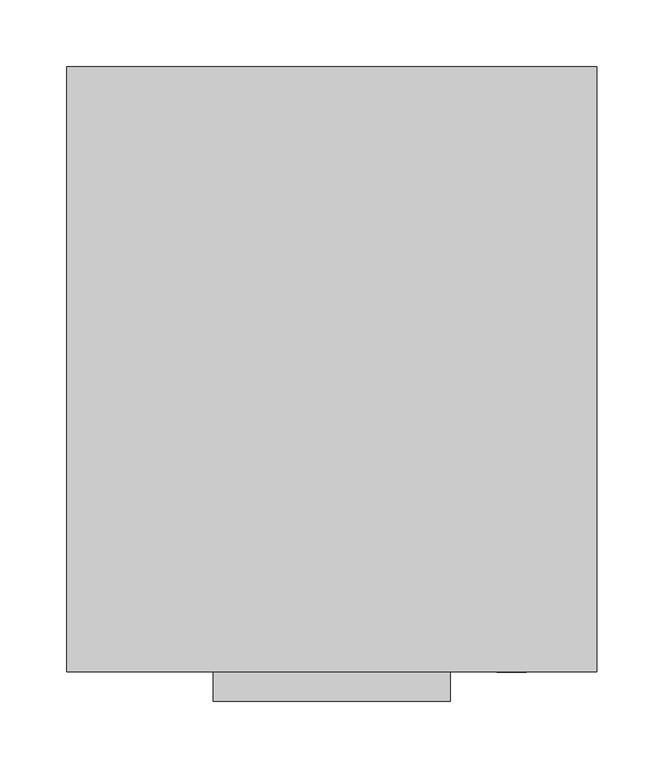
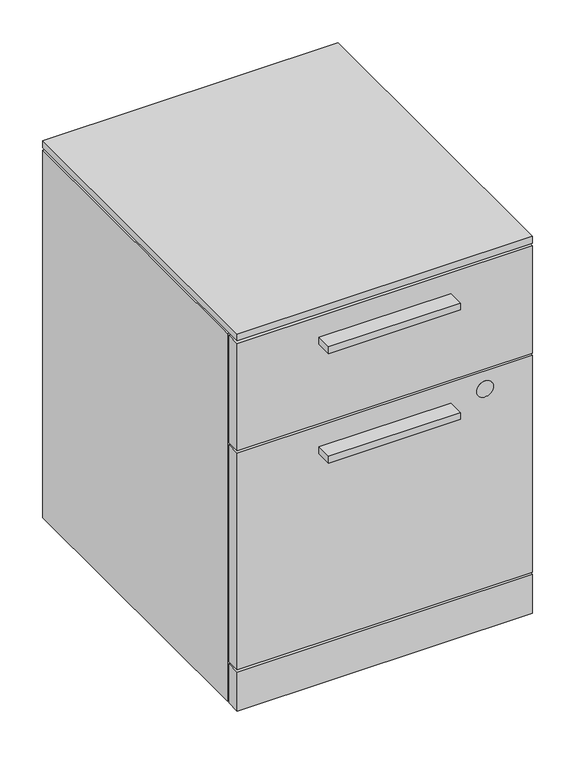
"""IFC4 building model written with IfcOpenShell, lengths in millimetres: furniture geometry."""

from ifc_helpers import new_model, si_unit, point, frame, frame_2d, origin, place, context, project, spatial, polyline, circle_curve, trimmed, segment, composite_curve, outline, extrude, faceted_brep, source, transform, mapped, element, save
from ifc_brep_helpers import plane_surface, cylinder_surface, advanced_brep


def furniture_c687b385(model_context):
    return source(origin(), model_context, "Body", "SolidModel", [
        advanced_brep(
        [(307.8205892, 53.97246, 18.653125), (307.8205892, 53.97246, 0.0), (307.8205892, 53.97246, 37.30625), (358.6205892, 53.97246, 37.30625), (358.6205892, 53.97246, 0.0), (358.6205892, 53.97246, 18.653125), (324.7539225, 53.97246, 0.0), (324.7539225, 53.97246, 37.30625), (324.7539225, 53.97246, 11.6085937), (324.7539225, 53.97246, 25.6976562), (341.6872558, 53.97246, 11.6085937), (341.6872558, 53.97246, 25.6976562), (341.6872558, 53.97246, 0.0), (341.6872558, 53.97246, 37.30625)],
        [
            (0, 1),
            (1, 2, circle_curve(frame((307.8205892, 53.97246, 18.653125), z_axis=(-1.0, 0.0, 0.0), x_axis=(0.0, 0.0, -1.0)), 18.653125)),
            (2, 0),
            (2, 1, circle_curve(frame((307.8205892, 53.97246, 18.653125), z_axis=(-1.0, 0.0, 0.0), x_axis=(0.0, 0.0, -1.0)), 18.653125)),
            (3, 4, circle_curve(frame((358.6205892, 53.97246, 18.653125), z_axis=(1.0, 0.0, 0.0), x_axis=(0.0, 0.0, -1.0)), 18.653125)),
            (4, 5),
            (5, 3),
            (4, 3, circle_curve(frame((358.6205892, 53.97246, 18.653125), z_axis=(1.0, 0.0, 0.0), x_axis=(0.0, 0.0, -1.0)), 18.653125)),
            (1, 6),
            (6, 7, circle_curve(frame((324.7539225, 53.97246, 18.653125), z_axis=(-1.0, 0.0, 0.0), x_axis=(0.0, 0.0, -1.0)), 18.653125)),
            (7, 2),
            (7, 6, circle_curve(frame((324.7539225, 53.97246, 18.653125), z_axis=(-1.0, 0.0, 0.0), x_axis=(0.0, 0.0, -1.0)), 18.653125)),
            (6, 8),
            (8, 9, circle_curve(frame((324.7539225, 53.97246, 18.653125), z_axis=(-1.0, 0.0, 0.0), x_axis=(0.0, 0.0, -1.0)), 7.0445312)),
            (9, 7),
            (9, 8, circle_curve(frame((324.7539225, 53.97246, 18.653125), z_axis=(-1.0, 0.0, 0.0), x_axis=(0.0, 0.0, -1.0)), 7.0445312)),
            (8, 10),
            (10, 11, circle_curve(frame((341.6872558, 53.97246, 18.653125), z_axis=(-1.0, 0.0, 0.0), x_axis=(0.0, 0.0, -1.0)), 7.0445312)),
            (11, 9),
            (11, 10, circle_curve(frame((341.6872558, 53.97246, 18.653125), z_axis=(-1.0, 0.0, 0.0), x_axis=(0.0, 0.0, -1.0)), 7.0445312)),
            (10, 12),
            (12, 13, circle_curve(frame((341.6872558, 53.97246, 18.653125), z_axis=(-1.0, 0.0, 0.0), x_axis=(0.0, 0.0, -1.0)), 18.653125)),
            (13, 11),
            (13, 12, circle_curve(frame((341.6872558, 53.97246, 18.653125), z_axis=(-1.0, 0.0, 0.0), x_axis=(0.0, 0.0, -1.0)), 18.653125)),
            (12, 4),
            (3, 13),
        ],
        [
            plane_surface(frame((307.8205892, 53.97246, 18.653125), z_axis=(-1.0, 0.0, 0.0), x_axis=(0.0, 0.0, -1.0))),
            plane_surface(frame((358.6205892, 53.97246, 18.653125), z_axis=(1.0, 0.0, 0.0), x_axis=(0.0, 0.0, -1.0))),
            cylinder_surface(frame((307.8205892, 53.97246, 18.653125), z_axis=(-1.0, 0.0, 0.0), x_axis=(0.0, 0.0, -1.0)), 18.653125),
            plane_surface(frame((324.7539225, 53.97246, 18.653125), z_axis=(1.0, 0.0, 0.0), x_axis=(0.0, 0.0, -1.0))),
            cylinder_surface(frame((307.8205892, 53.97246, 18.653125), z_axis=(-1.0, 0.0, 0.0), x_axis=(0.0, 0.0, -1.0)), 7.0445312),
            plane_surface(frame((341.6872558, 53.97246, 18.653125), z_axis=(-1.0, 0.0, 0.0), x_axis=(0.0, 0.0, -1.0))),
        ],
        [
            (0, [[1, 2, 3]]),
            (0, [[-3, 4, -1]]),
            (1, [[5, 6, 7]]),
            (1, [[8, -7, -6]]),
            (2, [[-2, 9, 10, 11]]),
            (2, [[-4, -11, 12, -9]]),
            (3, [[-10, 13, 14, 15]]),
            (3, [[-12, -15, 16, -13]]),
            (4, [[-14, 17, 18, 19]]),
            (4, [[-16, -19, 20, -17]]),
            (5, [[-18, 21, 22, 23]]),
            (5, [[-20, -23, 24, -21]]),
            (2, [[-22, 25, -5, 26]]),
            (2, [[-24, -26, -8, -25]]),
        ],
    ),
        advanced_brep(
        [(307.8205892, 378.5616, 18.653125), (307.8205892, 378.5616, 0.0), (307.8205892, 378.5616, 37.30625), (358.6205892, 378.5616, 37.30625), (358.6205892, 378.5616, 0.0), (358.6205892, 378.5616, 18.653125), (324.7539225, 378.5616, 0.0), (324.7539225, 378.5616, 37.30625), (324.7539225, 378.5616, 11.6085937), (324.7539225, 378.5616, 25.6976562), (341.6872558, 378.5616, 11.6085937), (341.6872558, 378.5616, 25.6976562), (341.6872558, 378.5616, 0.0), (341.6872558, 378.5616, 37.30625)],
        [
            (0, 1),
            (1, 2, circle_curve(frame((307.8205892, 378.5616, 18.653125), z_axis=(-1.0, 0.0, 0.0), x_axis=(0.0, 0.0, -1.0)), 18.653125)),
            (2, 0),
            (2, 1, circle_curve(frame((307.8205892, 378.5616, 18.653125), z_axis=(-1.0, 0.0, 0.0), x_axis=(0.0, 0.0, -1.0)), 18.653125)),
            (3, 4, circle_curve(frame((358.6205892, 378.5616, 18.653125), z_axis=(1.0, 0.0, 0.0), x_axis=(0.0, 0.0, -1.0)), 18.653125)),
            (4, 5),
            (5, 3),
            (4, 3, circle_curve(frame((358.6205892, 378.5616, 18.653125), z_axis=(1.0, 0.0, 0.0), x_axis=(0.0, 0.0, -1.0)), 18.653125)),
            (1, 6),
            (6, 7, circle_curve(frame((324.7539225, 378.5616, 18.653125), z_axis=(-1.0, 0.0, 0.0), x_axis=(0.0, 0.0, -1.0)), 18.653125)),
            (7, 2),
            (7, 6, circle_curve(frame((324.7539225, 378.5616, 18.653125), z_axis=(-1.0, 0.0, 0.0), x_axis=(0.0, 0.0, -1.0)), 18.653125)),
            (6, 8),
            (8, 9, circle_curve(frame((324.7539225, 378.5616, 18.653125), z_axis=(-1.0, 0.0, 0.0), x_axis=(0.0, 0.0, -1.0)), 7.0445312)),
            (9, 7),
            (9, 8, circle_curve(frame((324.7539225, 378.5616, 18.653125), z_axis=(-1.0, 0.0, 0.0), x_axis=(0.0, 0.0, -1.0)), 7.0445312)),
            (8, 10),
            (10, 11, circle_curve(frame((341.6872558, 378.5616, 18.653125), z_axis=(-1.0, 0.0, 0.0), x_axis=(0.0, 0.0, -1.0)), 7.0445312)),
            (11, 9),
            (11, 10, circle_curve(frame((341.6872558, 378.5616, 18.653125), z_axis=(-1.0, 0.0, 0.0), x_axis=(0.0, 0.0, -1.0)), 7.0445312)),
            (10, 12),
            (12, 13, circle_curve(frame((341.6872558, 378.5616, 18.653125), z_axis=(-1.0, 0.0, 0.0), x_axis=(0.0, 0.0, -1.0)), 18.653125)),
            (13, 11),
            (13, 12, circle_curve(frame((341.6872558, 378.5616, 18.653125), z_axis=(-1.0, 0.0, 0.0), x_axis=(0.0, 0.0, -1.0)), 18.653125)),
            (12, 4),
            (3, 13),
        ],
        [
            plane_surface(frame((307.8205892, 378.5616, 18.653125), z_axis=(-1.0, 0.0, 0.0), x_axis=(0.0, 0.0, -1.0))),
            plane_surface(frame((358.6205892, 378.5616, 18.653125), z_axis=(1.0, 0.0, 0.0), x_axis=(0.0, 0.0, -1.0))),
            cylinder_surface(frame((307.8205892, 378.5616, 18.653125), z_axis=(-1.0, 0.0, 0.0), x_axis=(0.0, 0.0, -1.0)), 18.653125),
            plane_surface(frame((324.7539225, 378.5616, 18.653125), z_axis=(1.0, 0.0, 0.0), x_axis=(0.0, 0.0, -1.0))),
            cylinder_surface(frame((307.8205892, 378.5616, 18.653125), z_axis=(-1.0, 0.0, 0.0), x_axis=(0.0, 0.0, -1.0)), 7.0445312),
            plane_surface(frame((341.6872558, 378.5616, 18.653125), z_axis=(-1.0, 0.0, 0.0), x_axis=(0.0, 0.0, -1.0))),
        ],
        [
            (0, [[1, 2, 3]]),
            (0, [[-3, 4, -1]]),
            (1, [[5, 6, 7]]),
            (1, [[8, -7, -6]]),
            (2, [[-2, 9, 10, 11]]),
            (2, [[-4, -11, 12, -9]]),
            (3, [[-10, 13, 14, 15]]),
            (3, [[-12, -15, 16, -13]]),
            (4, [[-14, 17, 18, 19]]),
            (4, [[-16, -19, 20, -17]]),
            (5, [[-18, 21, 22, 23]]),
            (5, [[-20, -23, 24, -21]]),
            (2, [[-22, 25, -5, 26]]),
            (2, [[-24, -26, -8, -25]]),
        ],
    ),
        advanced_brep(
        [(39.72814, 378.5616, 18.653125), (39.72814, 378.5616, 0.0), (39.72814, 378.5616, 37.30625), (90.52814, 378.5616, 37.30625), (90.52814, 378.5616, 0.0), (90.52814, 378.5616, 18.653125), (56.6614733, 378.5616, 0.0), (56.6614733, 378.5616, 37.30625), (56.6614733, 378.5616, 11.6085937), (56.6614733, 378.5616, 25.6976562), (73.5948067, 378.5616, 11.6085937), (73.5948067, 378.5616, 25.6976562), (73.5948067, 378.5616, 0.0), (73.5948067, 378.5616, 37.30625)],
        [
            (0, 1),
            (1, 2, circle_curve(frame((39.72814, 378.5616, 18.653125), z_axis=(-1.0, 0.0, 0.0), x_axis=(0.0, 0.0, -1.0)), 18.653125)),
            (2, 0),
            (2, 1, circle_curve(frame((39.72814, 378.5616, 18.653125), z_axis=(-1.0, 0.0, 0.0), x_axis=(0.0, 0.0, -1.0)), 18.653125)),
            (3, 4, circle_curve(frame((90.52814, 378.5616, 18.653125), z_axis=(1.0, 0.0, 0.0), x_axis=(0.0, 0.0, -1.0)), 18.653125)),
            (4, 5),
            (5, 3),
            (4, 3, circle_curve(frame((90.52814, 378.5616, 18.653125), z_axis=(1.0, 0.0, 0.0), x_axis=(0.0, 0.0, -1.0)), 18.653125)),
            (1, 6),
            (6, 7, circle_curve(frame((56.6614733, 378.5616, 18.653125), z_axis=(-1.0, 0.0, 0.0), x_axis=(0.0, 0.0, -1.0)), 18.653125)),
            (7, 2),
            (7, 6, circle_curve(frame((56.6614733, 378.5616, 18.653125), z_axis=(-1.0, 0.0, 0.0), x_axis=(0.0, 0.0, -1.0)), 18.653125)),
            (6, 8),
            (8, 9, circle_curve(frame((56.6614733, 378.5616, 18.653125), z_axis=(-1.0, 0.0, 0.0), x_axis=(0.0, 0.0, -1.0)), 7.0445312)),
            (9, 7),
            (9, 8, circle_curve(frame((56.6614733, 378.5616, 18.653125), z_axis=(-1.0, 0.0, 0.0), x_axis=(0.0, 0.0, -1.0)), 7.0445312)),
            (8, 10),
            (10, 11, circle_curve(frame((73.5948067, 378.5616, 18.653125), z_axis=(-1.0, 0.0, 0.0), x_axis=(0.0, 0.0, -1.0)), 7.0445312)),
            (11, 9),
            (11, 10, circle_curve(frame((73.5948067, 378.5616, 18.653125), z_axis=(-1.0, 0.0, 0.0), x_axis=(0.0, 0.0, -1.0)), 7.0445312)),
            (10, 12),
            (12, 13, circle_curve(frame((73.5948067, 378.5616, 18.653125), z_axis=(-1.0, 0.0, 0.0), x_axis=(0.0, 0.0, -1.0)), 18.653125)),
            (13, 11),
            (13, 12, circle_curve(frame((73.5948067, 378.5616, 18.653125), z_axis=(-1.0, 0.0, 0.0), x_axis=(0.0, 0.0, -1.0)), 18.653125)),
            (12, 4),
            (3, 13),
        ],
        [
            plane_surface(frame((39.72814, 378.5616, 18.653125), z_axis=(-1.0, 0.0, 0.0), x_axis=(0.0, 0.0, -1.0))),
            plane_surface(frame((90.52814, 378.5616, 18.653125), z_axis=(1.0, 0.0, 0.0), x_axis=(0.0, 0.0, -1.0))),
            cylinder_surface(frame((39.72814, 378.5616, 18.653125), z_axis=(-1.0, 0.0, 0.0), x_axis=(0.0, 0.0, -1.0)), 18.653125),
            plane_surface(frame((56.6614733, 378.5616, 18.653125), z_axis=(1.0, 0.0, 0.0), x_axis=(0.0, 0.0, -1.0))),
            cylinder_surface(frame((39.72814, 378.5616, 18.653125), z_axis=(-1.0, 0.0, 0.0), x_axis=(0.0, 0.0, -1.0)), 7.0445312),
            plane_surface(frame((73.5948067, 378.5616, 18.653125), z_axis=(-1.0, 0.0, 0.0), x_axis=(0.0, 0.0, -1.0))),
        ],
        [
            (0, [[1, 2, 3]]),
            (0, [[-3, 4, -1]]),
            (1, [[5, 6, 7]]),
            (1, [[8, -7, -6]]),
            (2, [[-2, 9, 10, 11]]),
            (2, [[-4, -11, 12, -9]]),
            (3, [[-10, 13, 14, 15]]),
            (3, [[-12, -15, 16, -13]]),
            (4, [[-14, 17, 18, 19]]),
            (4, [[-16, -19, 20, -17]]),
            (5, [[-18, 21, 22, 23]]),
            (5, [[-20, -23, 24, -21]]),
            (2, [[-22, 25, -5, 26]]),
            (2, [[-24, -26, -8, -25]]),
        ],
    ),
        advanced_brep(
        [(39.72814, 53.97246, 18.653125), (39.72814, 53.97246, 0.0), (39.72814, 53.97246, 37.30625), (90.52814, 53.97246, 37.30625), (90.52814, 53.97246, 0.0), (90.52814, 53.97246, 18.653125), (56.6614733, 53.97246, 0.0), (56.6614733, 53.97246, 37.30625), (56.6614733, 53.97246, 11.6085937), (56.6614733, 53.97246, 25.6976562), (73.5948067, 53.97246, 11.6085937), (73.5948067, 53.97246, 25.6976562), (73.5948067, 53.97246, 0.0), (73.5948067, 53.97246, 37.30625)],
        [
            (0, 1),
            (1, 2, circle_curve(frame((39.72814, 53.97246, 18.653125), z_axis=(-1.0, 0.0, 0.0), x_axis=(0.0, 0.0, -1.0)), 18.653125)),
            (2, 0),
            (2, 1, circle_curve(frame((39.72814, 53.97246, 18.653125), z_axis=(-1.0, 0.0, 0.0), x_axis=(0.0, 0.0, -1.0)), 18.653125)),
            (3, 4, circle_curve(frame((90.52814, 53.97246, 18.653125), z_axis=(1.0, 0.0, 0.0), x_axis=(0.0, 0.0, -1.0)), 18.653125)),
            (4, 5),
            (5, 3),
            (4, 3, circle_curve(frame((90.52814, 53.97246, 18.653125), z_axis=(1.0, 0.0, 0.0), x_axis=(0.0, 0.0, -1.0)), 18.653125)),
            (1, 6),
            (6, 7, circle_curve(frame((56.6614733, 53.97246, 18.653125), z_axis=(-1.0, 0.0, 0.0), x_axis=(0.0, 0.0, -1.0)), 18.653125)),
            (7, 2),
            (7, 6, circle_curve(frame((56.6614733, 53.97246, 18.653125), z_axis=(-1.0, 0.0, 0.0), x_axis=(0.0, 0.0, -1.0)), 18.653125)),
            (6, 8),
            (8, 9, circle_curve(frame((56.6614733, 53.97246, 18.653125), z_axis=(-1.0, 0.0, 0.0), x_axis=(0.0, 0.0, -1.0)), 7.0445312)),
            (9, 7),
            (9, 8, circle_curve(frame((56.6614733, 53.97246, 18.653125), z_axis=(-1.0, 0.0, 0.0), x_axis=(0.0, 0.0, -1.0)), 7.0445312)),
            (8, 10),
            (10, 11, circle_curve(frame((73.5948067, 53.97246, 18.653125), z_axis=(-1.0, 0.0, 0.0), x_axis=(0.0, 0.0, -1.0)), 7.0445312)),
            (11, 9),
            (11, 10, circle_curve(frame((73.5948067, 53.97246, 18.653125), z_axis=(-1.0, 0.0, 0.0), x_axis=(0.0, 0.0, -1.0)), 7.0445312)),
            (10, 12),
            (12, 13, circle_curve(frame((73.5948067, 53.97246, 18.653125), z_axis=(-1.0, 0.0, 0.0), x_axis=(0.0, 0.0, -1.0)), 18.653125)),
            (13, 11),
            (13, 12, circle_curve(frame((73.5948067, 53.97246, 18.653125), z_axis=(-1.0, 0.0, 0.0), x_axis=(0.0, 0.0, -1.0)), 18.653125)),
            (12, 4),
            (3, 13),
        ],
        [
            plane_surface(frame((39.72814, 53.97246, 18.653125), z_axis=(-1.0, 0.0, 0.0), x_axis=(0.0, 0.0, -1.0))),
            plane_surface(frame((90.52814, 53.97246, 18.653125), z_axis=(1.0, 0.0, 0.0), x_axis=(0.0, 0.0, -1.0))),
            cylinder_surface(frame((39.72814, 53.97246, 18.653125), z_axis=(-1.0, 0.0, 0.0), x_axis=(0.0, 0.0, -1.0)), 18.653125),
            plane_surface(frame((56.6614733, 53.97246, 18.653125), z_axis=(1.0, 0.0, 0.0), x_axis=(0.0, 0.0, -1.0))),
            cylinder_surface(frame((39.72814, 53.97246, 18.653125), z_axis=(-1.0, 0.0, 0.0), x_axis=(0.0, 0.0, -1.0)), 7.0445312),
            plane_surface(frame((73.5948067, 53.97246, 18.653125), z_axis=(-1.0, 0.0, 0.0), x_axis=(0.0, 0.0, -1.0))),
        ],
        [
            (0, [[1, 2, 3]]),
            (0, [[-3, 4, -1]]),
            (1, [[5, 6, 7]]),
            (1, [[8, -7, -6]]),
            (2, [[-2, 9, 10, 11]]),
            (2, [[-4, -11, 12, -9]]),
            (3, [[-10, 13, 14, 15]]),
            (3, [[-12, -15, 16, -13]]),
            (4, [[-14, 17, 18, 19]]),
            (4, [[-16, -19, 20, -17]]),
            (5, [[-18, 21, 22, 23]]),
            (5, [[-20, -23, 24, -21]]),
            (2, [[-22, 25, -5, 26]]),
            (2, [[-24, -26, -8, -25]]),
        ],
    ),
        extrude(outline(polyline([(287.909, -22.225), (110.109, -22.225), (110.109, 0.0), (287.909, 0.0), (287.909, -22.225)])), frame((0.0, 0.0, 334.6704), z_axis=(0.0, 0.0, 1.0), x_axis=(1.0, 0.0, 0.0)), (0.0, 0.0, 1.0), 9.525),
        extrude(outline(polyline([(287.909, -22.225), (110.109, -22.225), (110.109, 0.0), (287.909, 0.0), (287.909, -22.225)])), frame((0.0, 0.0, 490.6264), z_axis=(0.0, 0.0, 1.0), x_axis=(1.0, 0.0, 0.0)), (0.0, 0.0, 1.0), 9.525),
        extrude(outline(composite_curve([segment(trimmed(circle_curve(frame_2d((348.5134, 333.9338)), 11.176), [point((348.5134, 345.1098))], [point((348.5134, 322.7578))], False, "CARTESIAN"), True, "CONTINUOUS"), segment(trimmed(circle_curve(frame_2d((348.5134, 333.9338)), 11.176), [point((348.5134, 322.7578))], [point((348.5134, 345.1098))], False, "CARTESIAN"), True, "CONTINUOUS")], self_intersect=False)), frame((0.0, -0.254, 0.0), z_axis=(0.0, 1.0, 0.0), x_axis=(0.0, 0.0, 1.0)), (0.0, 0.0, 1.0), 4.69392),
        extrude(outline(polyline([(398.018, 19.304), (398.018, 0.0), (0.0, 0.0), (0.0, 19.304), (398.018, 19.304)])), frame((0.0, 0.0, 65.151), z_axis=(0.0, 0.0, 1.0), x_axis=(1.0, 0.0, 0.0)), (0.0, 0.0, 1.0), 308.7624),
        extrude(outline(polyline([(398.018, 19.304), (398.018, 0.0), (0.0, 0.0), (0.0, 19.304), (398.018, 19.304)])), frame((0.0, 0.0, 377.0884), z_axis=(0.0, 0.0, 1.0), x_axis=(1.0, 0.0, 0.0)), (0.0, 0.0, 1.0), 152.781),
        extrude(outline(polyline([(398.018, 19.304), (398.018, 0.0), (0.0, 0.0), (0.0, 19.304), (398.018, 19.304)])), frame((0.0, 0.0, 6.4008), z_axis=(0.0, 0.0, 1.0), x_axis=(1.0, 0.0, 0.0)), (0.0, 0.0, 1.0), 55.5752),
        extrude(outline(polyline([(398.018, 0.0), (0.0, 0.0), (0.0, 454.025), (398.018, 454.025), (398.018, 0.0)])), frame((0.0, 0.0, 533.6794), z_axis=(0.0, 0.0, 1.0), x_axis=(1.0, 0.0, 0.0)), (0.0, 0.0, 1.0), 9.779),
        faceted_brep([(398.018, 23.0632, 529.8694), (0.0, 23.0632, 529.8694), (0.0, 23.0632, 6.4008), (398.018, 23.0632, 6.4008), (19.304, 23.0632, 510.5654), (378.714, 23.0632, 510.5654), (378.714, 23.0632, 61.976), (19.304, 23.0632, 61.976), (398.018, 454.025, 529.8694), (398.018, 454.025, 6.4008), (0.0, 454.025, 6.4008), (0.0, 454.025, 529.8694), (378.714, 434.721, 510.5654), (19.304, 434.721, 510.5654), (19.304, 434.721, 61.976), (378.714, 434.721, 61.976)], [[[0, 1, 2, 3], [4, 5, 6, 7]], [[8, 9, 10, 11]], [[1, 0, 8, 11]], [[2, 1, 11, 10]], [[0, 3, 9, 8]], [[12, 13, 14, 15]], [[13, 12, 5, 4]], [[14, 13, 4, 7]], [[15, 14, 7, 6]], [[12, 15, 6, 5]], [[3, 2, 10, 9]]]),
    ])


if __name__ == "__main__":
    model = new_model("IFC4")
    model_context = context("Model", 3, world=origin())
    ifc_project = project(units=[si_unit("LENGTHUNIT", "METRE", prefix="MILLI")], contexts=[model_context])
    site = spatial("IfcSite", under=ifc_project)
    building = spatial("IfcBuilding", under=site)
    placement = place(None, origin())
    furniture_shape = furniture_c687b385(model_context)
    element("IfcFurniture", 1, at=placement, inside=building, context=model_context, shape_type="MappedRepresentation", body=[
        mapped(furniture_shape, transform((0.0, 0.0, 0.0), x_axis=(1.0, 0.0, 0.0), y_axis=(0.0, 1.0, 0.0), z_axis=(0.0, 0.0, 1.0))),
    ])
    save(model, "model.ifc")
